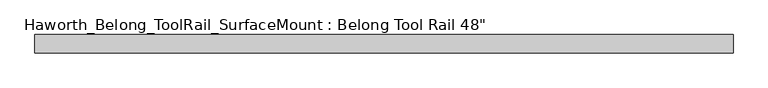
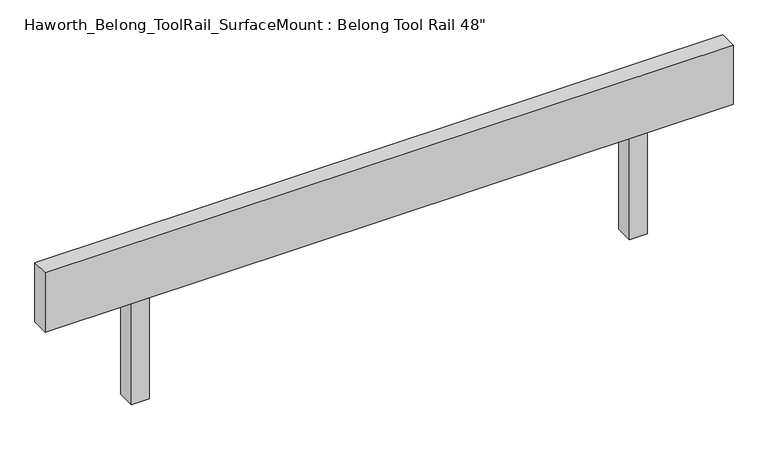
"""IFC4 building model written with IfcOpenShell, lengths in millimetres: furniture geometry."""

from ifc_helpers import new_model, si_unit, frame, origin, place, context, project, spatial, polyline, outline, extrude, source, transform, mapped, element, save


def furniture_41951bfd(model_context):
    return source(origin(), model_context, "Body", "SweptSolid", [
        extrude(outline(polyline([(609.6, 15.875), (609.6, -15.875), (-609.6, -15.875), (-609.6, 15.875), (609.6, 15.875)])), frame((0.0, 0.0, 950.9125), z_axis=(0.0, 0.0, 1.0), x_axis=(1.0, 0.0, 0.0)), (0.0, 0.0, 1.0), 111.125),
        extrude(outline(polyline([(-457.2, 15.875), (-425.45, 15.875), (-425.45, -15.875), (-457.2, -15.875), (-457.2, 15.875)])), frame((0.0, 0.0, 762.0), z_axis=(0.0, 0.0, 1.0), x_axis=(1.0, 0.0, 0.0)), (0.0, 0.0, 1.0), 188.9125),
        extrude(outline(polyline([(425.45, 15.875), (457.2, 15.875), (457.2, -15.875), (425.45, -15.875), (425.45, 15.875)])), frame((0.0, 0.0, 762.0), z_axis=(0.0, 0.0, 1.0), x_axis=(1.0, 0.0, 0.0)), (0.0, 0.0, 1.0), 188.9125),
    ])


if __name__ == "__main__":
    model = new_model("IFC4")
    model_context = context("Model", 3, world=origin())
    ifc_project = project(units=[si_unit("LENGTHUNIT", "METRE", prefix="MILLI")], contexts=[model_context])
    site = spatial("IfcSite", under=ifc_project)
    building = spatial("IfcBuilding", under=site)
    placement = place(None, origin())
    furniture_shape = furniture_41951bfd(model_context)
    element("IfcFurniture", 1, ObjectType="Haworth_Belong_ToolRail_SurfaceMount : Belong Tool Rail 48\"", at=placement, inside=building, context=model_context, shape_type="MappedRepresentation", body=[
        mapped(furniture_shape, transform((0.0, 0.0, 0.0), x_axis=(1.0, 0.0, 0.0), y_axis=(0.0, 1.0, 0.0), z_axis=(0.0, 0.0, 1.0))),
    ])
    save(model, "model.ifc")
